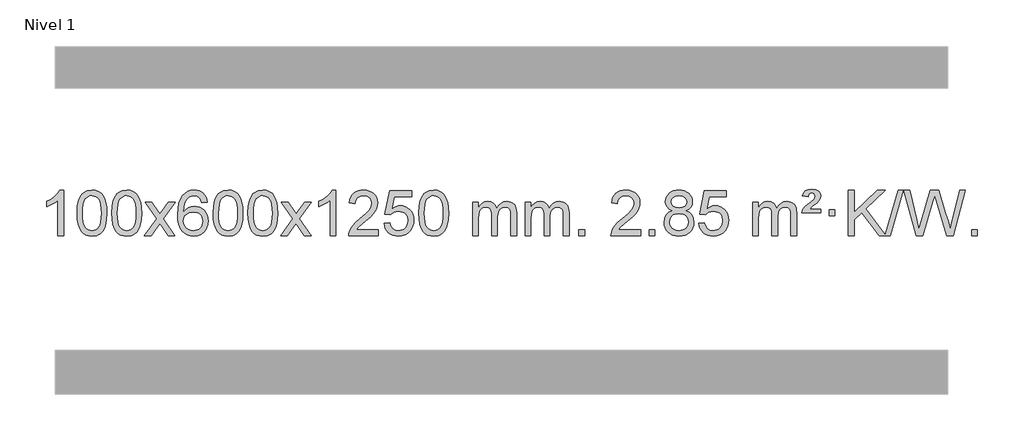
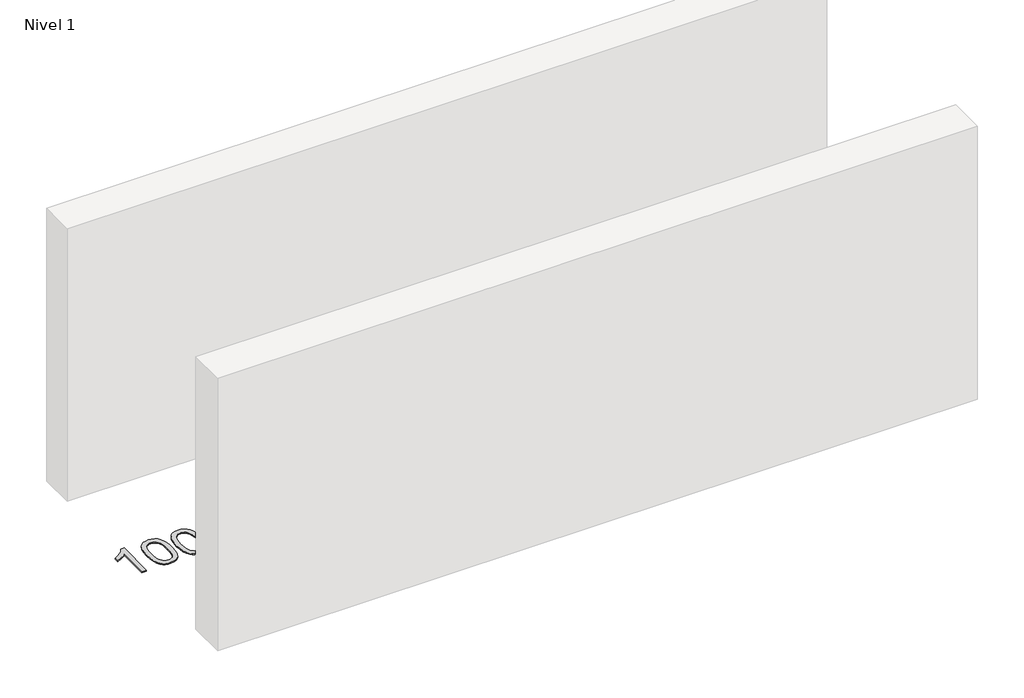
# One storey, part 3 of 6: 1 proxy.
"""IFC4 building model written with IfcOpenShell, lengths in millimetres."""

from ifc_helpers import new_model, si_unit, origin, origin_with_axes, place, context, project, spatial, polyline, outline, extrude, element, save

model = new_model("IFC4")

# Units and contexts
model_context = context("Model", 3, world=origin())
ifc_project = project(units=[si_unit("LENGTHUNIT", "METRE", prefix="MILLI")], contexts=[model_context])

# Site, building, storey
site = spatial("IfcSite", under=ifc_project)
building = spatial("IfcBuilding", under=site)
storey = spatial("IfcBuildingStorey", under=building, Name="Nivel 1", Elevation=0.0)

# Proxy
placement = place(None, origin())
element("IfcBuildingElementProxy", 1, Name="Texto de modelo 1", ObjectType="Texto de modelo 1", at=placement, inside=storey, context=model_context, shape_type="SweptSolid", body=[
    extrude(outline(polyline([(-25945.4422492, -10099.6168569), (-25995.6704043, -10099.6168569), (-25995.6704043, -9786.4757026), (-26016.639678, -9803.4350626), (-26043.249809, -9820.3698971), (-26096.1267145, -9845.7292293), (-26096.1267145, -9798.2479264), (-26056.6775018, -9776.7881434), (-26022.5012645, -9751.2571329), (-25995.5600397, -9724.1074417), (-25977.8158648, -9697.7916163), (-25945.4422492, -9697.7916163), (-25945.4422492, -10099.6168569)])), origin_with_axes(), (0.0, 0.0, 1.0), 10.0),
    extrude(outline(polyline([(-25826.1503809, -9901.9415981), (-25822.4592982, -9837.6235626), (-25811.3860502, -9786.3285498), (-25793.0410014, -9747.2717446), (-25781.1829384, -9732.0383643), (-25767.5345164, -9719.6683323), (-25752.0497501, -9710.097269), (-25734.6826542, -9703.2607953), (-25694.3014739, -9697.7916163), (-25663.3503353, -9701.0289778), (-25635.6365584, -9710.7410625), (-25612.4599927, -9726.5477256), (-25595.120488, -9748.0688223), (-25582.0238889, -9775.1204117), (-25571.5760403, -9807.5185527), (-25564.7334352, -9848.6600225), (-25562.4525668, -9901.9415981), (-25566.1068613, -9965.8917516), (-25577.0697447, -10017.0641372), (-25595.304429, -10056.1577305), (-25607.1349008, -10071.437096), (-25620.7741258, -10083.8715075), (-25636.2772862, -10093.5069501), (-25653.6995643, -10100.3894091), (-25694.3014739, -10105.8953763), (-25721.9661999, -10103.5041433), (-25746.4916662, -10096.3304444), (-25767.8778729, -10084.3742795), (-25786.1248199, -10067.6356488), (-25803.6360028, -10037.3773547), (-25816.1439907, -9999.6755815), (-25823.6487834, -9954.5303293), (-25826.1503809, -9901.9415981)]), holes=[polyline([(-25775.9222259, -9901.8434963), (-25774.4506979, -9945.5080234), (-25770.0361139, -9980.8522861), (-25762.678474, -10007.8762843), (-25752.3777782, -10026.5800181), (-25739.9188413, -10039.3056694), (-25726.0864782, -10048.3954204), (-25710.8806891, -10053.849271), (-25694.3014739, -10055.6672212), (-25677.7222586, -10053.8431396), (-25662.5164695, -10048.3708949), (-25648.6841065, -10039.2504871), (-25636.2251696, -10026.4819162), (-25625.9244737, -10007.7475256), (-25618.5668338, -9980.7296588), (-25614.1522498, -9945.4283156), (-25612.6807219, -9901.8434963), (-25614.1031989, -9859.3347317), (-25618.3706301, -9824.6128027), (-25625.4830153, -9797.6777093), (-25635.4403546, -9778.5294515), (-25647.6908251, -9765.1814664), (-25661.6826036, -9755.6471914), (-25677.4156903, -9749.9266264), (-25694.8900851, -9748.0197713), (-25711.3834612, -9749.6997658), (-25726.3317329, -9754.7397491), (-25739.7349003, -9763.1397213), (-25751.5929632, -9774.8996825), (-25762.2370156, -9795.7463289), (-25769.8399102, -9823.8525133), (-25774.4016469, -9859.2182358), (-25775.9222259, -9901.8434963)])]), origin_with_axes(), (0.0, 0.0, 1.0), 10.0),
    extrude(outline(polyline([(-25518.5029311, -9901.9415981), (-25514.8118484, -9837.6235626), (-25503.7386004, -9786.3285498), (-25485.3935515, -9747.2717446), (-25473.5354886, -9732.0383643), (-25459.8870665, -9719.6683323), (-25444.4023002, -9710.097269), (-25427.0352044, -9703.2607953), (-25386.654024, -9697.7916163), (-25355.7028855, -9701.0289778), (-25327.9891085, -9710.7410625), (-25304.8125428, -9726.5477256), (-25287.4730381, -9748.0688223), (-25274.3764391, -9775.1204117), (-25263.9285904, -9807.5185527), (-25257.0859853, -9848.6600225), (-25254.805117, -9901.9415981), (-25258.4594114, -9965.8917516), (-25269.4222949, -10017.0641372), (-25287.6569791, -10056.1577305), (-25299.487451, -10071.437096), (-25313.1266759, -10083.8715075), (-25328.6298363, -10093.5069501), (-25346.0521145, -10100.3894091), (-25386.654024, -10105.8953763), (-25414.3187501, -10103.5041433), (-25438.8442164, -10096.3304444), (-25460.2304231, -10084.3742795), (-25478.47737, -10067.6356488), (-25495.988553, -10037.3773547), (-25508.4965408, -9999.6755815), (-25516.0013335, -9954.5303293), (-25518.5029311, -9901.9415981)]), holes=[polyline([(-25468.274776, -9901.8434963), (-25466.803248, -9945.5080234), (-25462.3886641, -9980.8522861), (-25455.0310242, -10007.8762843), (-25444.7303283, -10026.5800181), (-25432.2713914, -10039.3056694), (-25418.4390284, -10048.3954204), (-25403.2332393, -10053.849271), (-25386.654024, -10055.6672212), (-25370.0748088, -10053.8431396), (-25354.8690196, -10048.3708949), (-25341.0366566, -10039.2504871), (-25328.5777197, -10026.4819162), (-25318.2770239, -10007.7475256), (-25310.919384, -9980.7296588), (-25306.5048, -9945.4283156), (-25305.033272, -9901.8434963), (-25306.4557491, -9859.3347317), (-25310.7231802, -9824.6128027), (-25317.8355655, -9797.6777093), (-25327.7929048, -9778.5294515), (-25340.0433752, -9765.1814664), (-25354.0351538, -9755.6471914), (-25369.7682404, -9749.9266264), (-25387.2426352, -9748.0197713), (-25403.7360113, -9749.6997658), (-25418.6842831, -9754.7397491), (-25432.0874504, -9763.1397213), (-25443.9455134, -9774.8996825), (-25454.5895658, -9795.7463289), (-25462.1924604, -9823.8525133), (-25466.7541971, -9859.2182358), (-25468.274776, -9901.8434963)])]), origin_with_axes(), (0.0, 0.0, 1.0), 10.0),
    extrude(outline(polyline([(-25229.6910394, -10099.6168569), (-25122.3675987, -9951.2868364), (-25223.41252, -9804.5264458), (-25162.981771, -9804.5264458), (-25114.2251439, -9875.1597889), (-25091.4655111, -9908.5144231), (-25071.7470362, -9881.2421045), (-25016.2213804, -9804.5264458), (-24955.7906313, -9804.5264458), (-25061.9368496, -9951.2868364), (-24959.7147059, -10099.6168569), (-25020.145455, -10099.6168569), (-25081.6553246, -10010.4422612), (-25092.9370391, -9994.1573516), (-25169.2602903, -10099.6168569), (-25229.6910394, -10099.6168569)])), origin_with_axes(), (0.0, 0.0, 1.0), 10.0),
    extrude(outline(polyline([(-24670.9028142, -9804.5264458), (-24721.1309693, -9810.8049652), (-24729.2243732, -9785.9116168), (-24740.1627312, -9768.9154687), (-24762.9468894, -9753.2436957), (-24790.4889881, -9748.0197713), (-24813.8372321, -9751.0609292), (-24835.8120499, -9760.1844027), (-24854.6843963, -9779.4001055), (-24870.0986519, -9805.850821), (-24880.5097123, -9843.2644199), (-24884.3724733, -9895.3687731), (-24864.2248027, -9871.8611137), (-24840.0794811, -9855.2941611), (-24813.2854091, -9845.4717119), (-24785.1914874, -9842.1975621), (-24761.0584285, -9844.4355109), (-24738.7893051, -9851.1493573), (-24718.3841171, -9862.3391013), (-24699.8428645, -9878.004743), (-24684.4347403, -9897.2143145), (-24673.4289372, -9919.0358482), (-24666.8254554, -9943.469344), (-24664.6242948, -9970.514802), (-24668.7690986, -10006.4813984), (-24681.2035101, -10039.8237699), (-24700.8974596, -10068.1016326), (-24726.8208775, -10088.8747026), (-24757.7965415, -10101.6402078), (-24792.6472291, -10105.8953763), (-24822.5897579, -10103.0749476), (-24849.6321502, -10094.6136617), (-24873.7744061, -10080.5115186), (-24895.0165257, -10060.7685182), (-24912.3345706, -10034.5507947), (-24924.7046027, -10001.0244822), (-24932.1266219, -9960.1895807), (-24934.6006284, -9912.0460903), (-24931.8537761, -9858.0716702), (-24923.6132194, -9812.006713), (-24909.8789583, -9773.8512188), (-24890.6509927, -9743.6051874), (-24869.8104776, -9723.56175), (-24845.6467619, -9709.2450091), (-24818.1598455, -9700.6549645), (-24787.3497284, -9697.7916163), (-24764.2160823, -9699.5635812), (-24743.2774654, -9704.879476), (-24724.5338777, -9713.7393008), (-24707.9853193, -9726.1430554), (-24694.0793799, -9741.6738069), (-24683.2636492, -9759.9146225), (-24675.5381274, -9780.8655021), (-24670.9028142, -9804.5264458)]), holes=[polyline([(-24884.3724733, -9969.7299871), (-24881.4662055, -9991.9868478), (-24872.7474022, -10013.2381644), (-24859.2093448, -10031.5096368), (-24841.8453146, -10044.8269651), (-24820.8883036, -10052.9571571), (-24796.5713038, -10055.6672212), (-24763.425136, -10050.0508894), (-24749.5099995, -10043.0304746), (-24737.366828, -10033.201894), (-24727.5167876, -10020.9636863), (-24720.4810444, -10006.7143904), (-24714.8524499, -9972.1825337), (-24720.407468, -9939.036366), (-24727.3512407, -9925.4155351), (-24737.0725224, -9913.7628729), (-24749.2524821, -9904.4278673), (-24763.5722888, -9897.7600061), (-24798.6314429, -9892.4257172), (-24831.7285598, -9897.7600061), (-24859.4055485, -9913.7628729), (-24870.3285781, -9925.2622509), (-24878.1307421, -9938.4232293), (-24882.8120405, -9953.245808), (-24884.3724733, -9969.7299871)])]), origin_with_axes(), (0.0, 0.0, 1.0), 10.0),
    extrude(outline(polyline([(-24620.6746591, -9901.9415981), (-24616.9835765, -9837.6235626), (-24605.9103284, -9786.3285498), (-24587.5652796, -9747.2717446), (-24575.7072166, -9732.0383643), (-24562.0587946, -9719.6683323), (-24546.5740283, -9710.097269), (-24529.2069324, -9703.2607953), (-24488.8257521, -9697.7916163), (-24457.8746135, -9701.0289778), (-24430.1608366, -9710.7410625), (-24406.9842709, -9726.5477256), (-24389.6447662, -9748.0688223), (-24376.5481671, -9775.1204117), (-24366.1003185, -9807.5185527), (-24359.2577134, -9848.6600225), (-24356.976845, -9901.9415981), (-24360.6311395, -9965.8917516), (-24371.5940229, -10017.0641372), (-24389.8287072, -10056.1577305), (-24401.659179, -10071.437096), (-24415.298404, -10083.8715075), (-24430.8015644, -10093.5069501), (-24448.2238425, -10100.3894091), (-24488.8257521, -10105.8953763), (-24516.4904781, -10103.5041433), (-24541.0159444, -10096.3304444), (-24562.4021511, -10084.3742795), (-24580.6490981, -10067.6356488), (-24598.160281, -10037.3773547), (-24610.6682689, -9999.6755815), (-24618.1730616, -9954.5303293), (-24620.6746591, -9901.9415981)]), holes=[polyline([(-24570.4465041, -9901.8434963), (-24568.9749761, -9945.5080234), (-24564.5603921, -9980.8522861), (-24557.2027522, -10007.8762843), (-24546.9020564, -10026.5800181), (-24534.4431195, -10039.3056694), (-24520.6107564, -10048.3954204), (-24505.4049673, -10053.849271), (-24488.8257521, -10055.6672212), (-24472.2465368, -10053.8431396), (-24457.0407477, -10048.3708949), (-24443.2083847, -10039.2504871), (-24430.7494478, -10026.4819162), (-24420.4487519, -10007.7475256), (-24413.091112, -9980.7296588), (-24408.676528, -9945.4283156), (-24407.2050001, -9901.8434963), (-24408.6274771, -9859.3347317), (-24412.8949083, -9824.6128027), (-24420.0072935, -9797.6777093), (-24429.9646328, -9778.5294515), (-24442.2151033, -9765.1814664), (-24456.2068818, -9755.6471914), (-24471.9399685, -9749.9266264), (-24489.4143633, -9748.0197713), (-24505.9077394, -9749.6997658), (-24520.8560111, -9754.7397491), (-24534.2591785, -9763.1397213), (-24546.1172414, -9774.8996825), (-24556.7612938, -9795.7463289), (-24564.3641884, -9823.8525133), (-24568.9259251, -9859.2182358), (-24570.4465041, -9901.8434963)])]), origin_with_axes(), (0.0, 0.0, 1.0), 10.0),
    extrude(outline(polyline([(-24313.0272093, -9901.9415981), (-24309.3361266, -9837.6235626), (-24298.2628786, -9786.3285498), (-24279.9178297, -9747.2717446), (-24268.0597668, -9732.0383643), (-24254.4113447, -9719.6683323), (-24238.9265784, -9710.097269), (-24221.5594826, -9703.2607953), (-24181.1783022, -9697.7916163), (-24150.2271637, -9701.0289778), (-24122.5133867, -9710.7410625), (-24099.336821, -9726.5477256), (-24081.9973163, -9748.0688223), (-24068.9007173, -9775.1204117), (-24058.4528686, -9807.5185527), (-24051.6102635, -9848.6600225), (-24049.3293952, -9901.9415981), (-24052.9836896, -9965.8917516), (-24063.9465731, -10017.0641372), (-24082.1812573, -10056.1577305), (-24094.0117292, -10071.437096), (-24107.6509541, -10083.8715075), (-24123.1541145, -10093.5069501), (-24140.5763927, -10100.3894091), (-24181.1783022, -10105.8953763), (-24208.8430283, -10103.5041433), (-24233.3684946, -10096.3304444), (-24254.7547013, -10084.3742795), (-24273.0016482, -10067.6356488), (-24290.5128312, -10037.3773547), (-24303.020819, -9999.6755815), (-24310.5256117, -9954.5303293), (-24313.0272093, -9901.9415981)]), holes=[polyline([(-24262.7990542, -9901.8434963), (-24261.3275262, -9945.5080234), (-24256.9129423, -9980.8522861), (-24249.5553024, -10007.8762843), (-24239.2546065, -10026.5800181), (-24226.7956696, -10039.3056694), (-24212.9633066, -10048.3954204), (-24197.7575175, -10053.849271), (-24181.1783022, -10055.6672212), (-24164.599087, -10053.8431396), (-24149.3932978, -10048.3708949), (-24135.5609348, -10039.2504871), (-24123.1019979, -10026.4819162), (-24112.8013021, -10007.7475256), (-24105.4436622, -9980.7296588), (-24101.0290782, -9945.4283156), (-24099.5575502, -9901.8434963), (-24100.9800273, -9859.3347317), (-24105.2474584, -9824.6128027), (-24112.3598437, -9797.6777093), (-24122.317183, -9778.5294515), (-24134.5676534, -9765.1814664), (-24148.559432, -9755.6471914), (-24164.2925187, -9749.9266264), (-24181.7669134, -9748.0197713), (-24198.2602895, -9749.6997658), (-24213.2085613, -9754.7397491), (-24226.6117286, -9763.1397213), (-24238.4697916, -9774.8996825), (-24249.113844, -9795.7463289), (-24256.7167386, -9823.8525133), (-24261.2784753, -9859.2182358), (-24262.7990542, -9901.8434963)])]), origin_with_axes(), (0.0, 0.0, 1.0), 10.0),
    extrude(outline(polyline([(-24024.2153176, -10099.6168569), (-23916.8918769, -9951.2868364), (-24017.9367982, -9804.5264458), (-23957.5060492, -9804.5264458), (-23908.7494221, -9875.1597889), (-23885.9897893, -9908.5144231), (-23866.2713144, -9881.2421045), (-23810.7456586, -9804.5264458), (-23750.3149095, -9804.5264458), (-23856.4611278, -9951.2868364), (-23754.2389841, -10099.6168569), (-23814.6697332, -10099.6168569), (-23876.1796028, -10010.4422612), (-23887.4613173, -9994.1573516), (-23963.7845685, -10099.6168569), (-24024.2153176, -10099.6168569)])), origin_with_axes(), (0.0, 0.0, 1.0), 10.0),
    extrude(outline(polyline([(-23534.4908056, -10099.6168569), (-23584.7189607, -10099.6168569), (-23584.7189607, -9786.4757026), (-23605.6882344, -9803.4350626), (-23632.2983654, -9820.3698971), (-23685.1752709, -9845.7292293), (-23685.1752709, -9798.2479264), (-23645.7260583, -9776.7881434), (-23611.5498209, -9751.2571329), (-23584.6085961, -9724.1074417), (-23566.8644212, -9697.7916163), (-23534.4908056, -9697.7916163), (-23534.4908056, -10099.6168569)])), origin_with_axes(), (0.0, 0.0, 1.0), 10.0),
    extrude(outline(polyline([(-23157.7796426, -10049.3887018), (-23157.7796426, -10099.6168569), (-23421.4774567, -10099.6168569), (-23420.3738107, -10081.9339956), (-23416.0818541, -10064.9868984), (-23403.6964936, -10037.9230463), (-23385.572174, -10011.6685346), (-23359.3544505, -9984.1877495), (-23322.6888783, -9953.4450775), (-23268.4875977, -9905.301587), (-23235.9668293, -9869.7641863), (-23219.7064451, -9840.9222379), (-23214.286317, -9812.8651044), (-23219.3998768, -9787.7142386), (-23234.740556, -9766.8062786), (-23258.3217919, -9752.7163982), (-23288.1570217, -9748.0197713), (-23319.4883049, -9752.6060336), (-23343.8298303, -9766.3648202), (-23359.5383915, -9788.2170107), (-23364.9707823, -9817.0834846), (-23415.1989373, -9810.8049652), (-23410.8793896, -9784.8754159), (-23403.0220433, -9762.2200164), (-23391.6268985, -9742.8387666), (-23376.6939552, -9726.7316666), (-23358.5665699, -9714.0703946), (-23337.5880991, -9705.0266288), (-23313.7585429, -9699.6003694), (-23287.0779012, -9697.7916163), (-23260.1581362, -9699.8027045), (-23236.1998212, -9705.8359692), (-23215.2029563, -9715.8914104), (-23197.1675415, -9729.9690281), (-23182.682188, -9747.02649), (-23172.3355069, -9766.0214636), (-23166.1274982, -9786.9539492), (-23164.058162, -9809.8239465), (-23166.2899794, -9833.8466408), (-23172.9854317, -9857.4524022), (-23184.8680202, -9881.4628337), (-23202.661246, -9906.6995386), (-23231.0249478, -9936.829074), (-23274.6189643, -9975.5179972), (-23332.400963, -10023.8331659), (-23355.0624939, -10049.3887018), (-23157.7796426, -10049.3887018)])), origin_with_axes(), (0.0, 0.0, 1.0), 10.0),
    extrude(outline(polyline([(-23107.5514875, -9992.8820273), (-23057.3233324, -9986.603508), (-23048.1017571, -10016.7575688), (-23032.0130512, -10038.3522419), (-23009.1307911, -10051.3384764), (-22979.5285532, -10055.6672212), (-22960.3986894, -10054.1619707), (-22943.5251686, -10049.6462192), (-22928.9079907, -10042.1199667), (-22916.5471556, -10031.5832132), (-22906.718575, -10018.5571249), (-22899.6981602, -10003.5628679), (-22894.0818284, -9967.6698479), (-22899.342541, -9933.8737553), (-22905.9184316, -9919.9555532), (-22915.1246786, -9908.0239138), (-22926.9919386, -9898.4528505), (-22941.5508686, -9891.6163768), (-22978.7437383, -9886.1471978), (-23003.1097891, -9888.3299643), (-23022.8405268, -9894.8782638), (-23038.5981389, -9904.9091796), (-23051.044813, -9917.5397947), (-23101.2729681, -9911.2612753), (-23057.3233324, -9704.0701357), (-22862.6892315, -9704.0701357), (-22862.6892315, -9754.2982907), (-23016.7091602, -9754.2982907), (-23038.1934687, -9864.9571949), (-23020.4676879, -9852.2530033), (-23002.3127114, -9843.1785808), (-22983.7285393, -9837.7339272), (-22964.7151715, -9835.9190427), (-22940.2540845, -9838.1692543), (-22917.7856917, -9844.9198889), (-22897.3099929, -9856.1709466), (-22878.8269884, -9871.9224273), (-22863.5261631, -9891.2117066), (-22852.5970021, -9913.0761598), (-22846.0395056, -9937.5157871), (-22843.8536734, -9964.5305882), (-22845.821842, -9990.552108), (-22851.7263481, -10014.7587433), (-22861.5671914, -10037.1504941), (-22875.3443722, -10057.7273604), (-22896.215544, -10078.8008673), (-22920.5693321, -10093.8533723), (-22948.4057364, -10102.8848753), (-22979.7247569, -10105.8953763), (-23005.6451092, -10103.9609301), (-23029.0577325, -10098.1575916), (-23049.9626268, -10088.4853608), (-23068.3597923, -10074.9442377), (-23083.666749, -10058.2086726), (-23095.3010171, -10038.9531159), (-23103.2625966, -10017.1775674), (-23107.5514875, -9992.8820273)])), origin_with_axes(), (0.0, 0.0, 1.0), 10.0),
    extrude(outline(polyline([(-22799.9040377, -9901.9415981), (-22796.212955, -9837.6235626), (-22785.1397069, -9786.3285498), (-22766.7946581, -9747.2717446), (-22754.9365951, -9732.0383643), (-22741.2881731, -9719.6683323), (-22725.8034068, -9710.097269), (-22708.4363109, -9703.2607953), (-22668.0551306, -9697.7916163), (-22637.1039921, -9701.0289778), (-22609.3902151, -9710.7410625), (-22586.2136494, -9726.5477256), (-22568.8741447, -9748.0688223), (-22555.7775457, -9775.1204117), (-22545.329697, -9807.5185527), (-22538.4870919, -9848.6600225), (-22536.2062235, -9901.9415981), (-22539.860518, -9965.8917516), (-22550.8234015, -10017.0641372), (-22569.0580857, -10056.1577305), (-22580.8885575, -10071.437096), (-22594.5277825, -10083.8715075), (-22610.0309429, -10093.5069501), (-22627.4532211, -10100.3894091), (-22668.0551306, -10105.8953763), (-22695.7198566, -10103.5041433), (-22720.245323, -10096.3304444), (-22741.6315296, -10084.3742795), (-22759.8784766, -10067.6356488), (-22777.3896596, -10037.3773547), (-22789.8976474, -9999.6755815), (-22797.4024401, -9954.5303293), (-22799.9040377, -9901.9415981)]), holes=[polyline([(-22749.6758826, -9901.8434963), (-22748.2043546, -9945.5080234), (-22743.7897707, -9980.8522861), (-22736.4321308, -10007.8762843), (-22726.1314349, -10026.5800181), (-22713.672498, -10039.3056694), (-22699.840135, -10048.3954204), (-22684.6343459, -10053.849271), (-22668.0551306, -10055.6672212), (-22651.4759154, -10053.8431396), (-22636.2701262, -10048.3708949), (-22622.4377632, -10039.2504871), (-22609.9788263, -10026.4819162), (-22599.6781304, -10007.7475256), (-22592.3204905, -9980.7296588), (-22587.9059066, -9945.4283156), (-22586.4343786, -9901.8434963), (-22587.8568557, -9859.3347317), (-22592.1242868, -9824.6128027), (-22599.236672, -9797.6777093), (-22609.1940114, -9778.5294515), (-22621.4444818, -9765.1814664), (-22635.4362604, -9755.6471914), (-22651.169347, -9749.9266264), (-22668.6437418, -9748.0197713), (-22685.1371179, -9749.6997658), (-22700.0853897, -9754.7397491), (-22713.488557, -9763.1397213), (-22725.34662, -9774.8996825), (-22735.9906724, -9795.7463289), (-22743.5935669, -9823.8525133), (-22748.1553037, -9859.2182358), (-22749.6758826, -9901.8434963)])]), origin_with_axes(), (0.0, 0.0, 1.0), 10.0),
    extrude(outline(polyline([(-22322.7365645, -10099.6168569), (-22322.7365645, -9804.5264458), (-22272.5084094, -9804.5264458), (-22272.5084094, -9853.0868692), (-22257.4007221, -9830.7809575), (-22237.9765528, -9813.3065628), (-22214.8980889, -9802.0125855), (-22188.8275182, -9798.2479264), (-22160.8930121, -9802.0861619), (-22138.5012613, -9813.6008684), (-22121.7748932, -9832.0317563), (-22110.8365352, -9856.6185363), (-22092.5282746, -9831.0813945), (-22071.64484, -9812.8405789), (-22048.1862315, -9801.8960895), (-22022.1524489, -9798.2479264), (-22002.0446322, -9799.7654397), (-21984.3954935, -9804.3179793), (-21969.2050328, -9811.9055455), (-21956.4732501, -9822.5281381), (-21946.4086118, -9836.3083845), (-21939.2195845, -9853.368912), (-21934.9061681, -9873.7097207), (-21933.4683626, -9897.3308105), (-21933.4683626, -10099.6168569), (-21983.6965177, -10099.6168569), (-21983.6965177, -9918.9132208), (-21984.8614774, -9893.860457), (-21988.3563563, -9876.9746734), (-21994.9046558, -9865.410916), (-22005.2298772, -9856.3242307), (-22018.5104172, -9850.4381188), (-22033.9246728, -9848.4760815), (-22061.1356777, -9853.5038021), (-22083.318962, -9868.5869639), (-22091.924335, -9880.1568526), (-22098.07103, -9894.7556365), (-22102.988386, -9933.0398895), (-22102.988386, -10099.6168569), (-22153.2165411, -10099.6168569), (-22153.2165411, -9913.3214145), (-22156.1228088, -9884.9209245), (-22164.8416121, -9864.6628893), (-22180.1822913, -9852.5227834), (-22202.9541868, -9848.4760815), (-22222.3047798, -9851.1738828), (-22240.1347938, -9859.2672867), (-22254.8500736, -9872.5600894), (-22264.8564639, -9890.8560873), (-22270.595423, -9916.239945), (-22272.5084094, -9950.7963271), (-22272.5084094, -10099.6168569), (-22322.7365645, -10099.6168569)])), origin_with_axes(), (0.0, 0.0, 1.0), 10.0),
    extrude(outline(polyline([(-21858.12613, -10099.6168569), (-21858.12613, -9804.5264458), (-21807.8979749, -9804.5264458), (-21807.8979749, -9853.0868692), (-21792.7902877, -9830.7809575), (-21773.3661183, -9813.3065628), (-21750.2876545, -9802.0125855), (-21724.2170838, -9798.2479264), (-21696.2825776, -9802.0861619), (-21673.8908268, -9813.6008684), (-21657.1644588, -9832.0317563), (-21646.2261008, -9856.6185363), (-21627.9178402, -9831.0813945), (-21607.0344056, -9812.8405789), (-21583.575797, -9801.8960895), (-21557.5420145, -9798.2479264), (-21537.4341978, -9799.7654397), (-21519.7850591, -9804.3179793), (-21504.5945983, -9811.9055455), (-21491.8628156, -9822.5281381), (-21481.7981774, -9836.3083845), (-21474.6091501, -9853.368912), (-21470.2957337, -9873.7097207), (-21468.8579282, -9897.3308105), (-21468.8579282, -10099.6168569), (-21519.0860833, -10099.6168569), (-21519.0860833, -9918.9132208), (-21520.2510429, -9893.860457), (-21523.7459219, -9876.9746734), (-21530.2942214, -9865.410916), (-21540.6194427, -9856.3242307), (-21553.8999827, -9850.4381188), (-21569.3142383, -9848.4760815), (-21596.5252433, -9853.5038021), (-21618.7085276, -9868.5869639), (-21627.3139006, -9880.1568526), (-21633.4605956, -9894.7556365), (-21638.3779516, -9933.0398895), (-21638.3779516, -10099.6168569), (-21688.6061066, -10099.6168569), (-21688.6061066, -9913.3214145), (-21691.5123744, -9884.9209245), (-21700.2311777, -9864.6628893), (-21715.5718569, -9852.5227834), (-21738.3437524, -9848.4760815), (-21757.6943453, -9851.1738828), (-21775.5243594, -9859.2672867), (-21790.2396392, -9872.5600894), (-21800.2460294, -9890.8560873), (-21805.9849886, -9916.239945), (-21807.8979749, -9950.7963271), (-21807.8979749, -10099.6168569), (-21858.12613, -10099.6168569)])), origin_with_axes(), (0.0, 0.0, 1.0), 10.0),
    extrude(outline(polyline([(-21380.9586568, -10099.6168569), (-21380.9586568, -10049.3887018), (-21330.7305017, -10049.3887018), (-21330.7305017, -10099.6168569), (-21380.9586568, -10099.6168569)])), origin_with_axes(), (0.0, 0.0, 1.0), 10.0),
    extrude(outline(polyline([(-20834.7274704, -10049.3887018), (-20834.7274704, -10099.6168569), (-21098.4252845, -10099.6168569), (-21097.3216385, -10081.9339956), (-21093.0296819, -10064.9868984), (-21080.6443214, -10037.9230463), (-21062.5200018, -10011.6685346), (-21036.3022783, -9984.1877495), (-20999.6367061, -9953.4450775), (-20945.4354255, -9905.301587), (-20912.9146571, -9869.7641863), (-20896.6542729, -9840.9222379), (-20891.2341448, -9812.8651044), (-20896.3477046, -9787.7142386), (-20911.6883838, -9766.8062786), (-20935.2696197, -9752.7163982), (-20965.1048495, -9748.0197713), (-20996.4361327, -9752.6060336), (-21020.7776581, -9766.3648202), (-21036.4862193, -9788.2170107), (-21041.9186101, -9817.0834846), (-21092.1467651, -9810.8049652), (-21087.8272174, -9784.8754159), (-21079.9698711, -9762.2200164), (-21068.5747263, -9742.8387666), (-21053.641783, -9726.7316666), (-21035.5143977, -9714.0703946), (-21014.5359269, -9705.0266288), (-20990.7063706, -9699.6003694), (-20964.0257289, -9697.7916163), (-20937.1059639, -9699.8027045), (-20913.147649, -9705.8359692), (-20892.1507841, -9715.8914104), (-20874.1153693, -9729.9690281), (-20859.6300158, -9747.02649), (-20849.2833346, -9766.0214636), (-20843.075326, -9786.9539492), (-20841.0059898, -9809.8239465), (-20843.2378072, -9833.8466408), (-20849.9332595, -9857.4524022), (-20861.815848, -9881.4628337), (-20879.6090738, -9906.6995386), (-20907.9727756, -9936.829074), (-20951.566792, -9975.5179972), (-21009.3487908, -10023.8331659), (-21032.0103217, -10049.3887018), (-20834.7274704, -10049.3887018)])), origin_with_axes(), (0.0, 0.0, 1.0), 10.0),
    extrude(outline(polyline([(-20759.3852378, -10099.6168569), (-20759.3852378, -10049.3887018), (-20709.1570827, -10049.3887018), (-20709.1570827, -10099.6168569), (-20759.3852378, -10099.6168569)])), origin_with_axes(), (0.0, 0.0, 1.0), 10.0),
    extrude(outline(polyline([(-20554.3523391, -9878.2990486), (-20581.244513, -9865.0552967), (-20600.1168593, -9847.1026554), (-20611.2636838, -9824.8090065), (-20614.9792919, -9798.542232), (-20612.9559409, -9778.0573363), (-20606.885888, -9759.2769604), (-20596.7691332, -9742.2011045), (-20582.6056763, -9726.8297684), (-20565.0760993, -9714.1255769), (-20544.8609836, -9705.0511543), (-20521.9603294, -9699.6065008), (-20496.3741367, -9697.7916163), (-20470.6653166, -9699.6494203), (-20447.5929841, -9705.2228326), (-20427.1571393, -9714.511853), (-20409.3577821, -9727.5164815), (-20394.9368079, -9743.1882545), (-20384.636112, -9760.4787082), (-20378.4556945, -9779.3878428), (-20376.3955553, -9799.9156581), (-20380.0621125, -9825.336304), (-20391.0617842, -9847.2498082), (-20409.5171976, -9865.0920849), (-20435.5509801, -9878.2990486), (-20404.6366298, -9894.228339), (-20382.1345144, -9917.6869475), (-20368.412516, -9947.5467028), (-20363.8385165, -9982.6794333), (-20366.1071222, -10007.7321972), (-20372.9129391, -10030.7002964), (-20384.2559673, -10051.583731), (-20400.1362067, -10070.382501), (-20419.7197916, -10085.9193839), (-20442.1728561, -10097.0171574), (-20467.4954001, -10103.6758215), (-20495.6874236, -10105.8953763), (-20523.8794472, -10103.6666245), (-20549.2019912, -10096.9803692), (-20571.6550556, -10085.8366105), (-20591.2386405, -10070.2353482), (-20607.11888, -10051.3047539), (-20618.4619081, -10030.1729989), (-20625.2677251, -10006.8400834), (-20627.5363307, -9981.3060072), (-20622.7783902, -9944.8121133), (-20608.5045688, -9914.7929425), (-20585.4506304, -9892.2785644), (-20554.3523391, -9878.2990486)]), holes=[polyline([(-20564.7511368, -9800.01376), (-20560.2997647, -9821.9395269), (-20546.9456483, -9839.4507099), (-20525.081195, -9850.9286281), (-20495.0988124, -9854.7546009), (-20465.8154056, -9850.9531536), (-20444.2820462, -9839.5488117), (-20431.0382943, -9822.62624), (-20426.6237104, -9802.2701029), (-20431.1854471, -9781.1414136), (-20444.8706574, -9763.6670189), (-20466.6983224, -9751.9315832), (-20495.6874236, -9748.0197713), (-20524.8604658, -9751.8457441), (-20546.6513427, -9763.3236623), (-20560.2261883, -9780.1481323), (-20564.7511368, -9800.01376)]), polyline([(-20577.3081756, -9979.5401736), (-20575.2112482, -9998.7558765), (-20568.9204661, -10017.3584427), (-20557.3076578, -10033.5820387), (-20539.2446518, -10045.6608309), (-20517.6131905, -10053.1656236), (-20495.2950162, -10055.6672212), (-20461.1065161, -10050.4065086), (-20447.2128394, -10043.830618), (-20435.4528783, -10034.6243711), (-20419.4132233, -10010.7243041), (-20414.0666716, -9981.1098035), (-20419.5849015, -9950.9925308), (-20436.1395913, -9926.5651663), (-20448.2183835, -9917.1228618), (-20462.3818403, -9910.3783586), (-20496.9627479, -9904.982756), (-20530.6730014, -9910.3047822), (-20544.4103282, -9916.9573149), (-20556.0691218, -9926.2708607), (-20571.9984122, -9950.2322414), (-20577.3081756, -9979.5401736)])]), origin_with_axes(), (0.0, 0.0, 1.0), 10.0),
    extrude(outline(polyline([(-20319.8888809, -9992.8820273), (-20269.6607258, -9986.603508), (-20260.4391504, -10016.7575688), (-20244.3504445, -10038.3522419), (-20221.4681844, -10051.3384764), (-20191.8659465, -10055.6672212), (-20172.7360828, -10054.1619707), (-20155.8625619, -10049.6462192), (-20141.245384, -10042.1199667), (-20128.884549, -10031.5832132), (-20119.0559683, -10018.5571249), (-20112.0355536, -10003.5628679), (-20106.4192218, -9967.6698479), (-20111.6799343, -9933.8737553), (-20118.255825, -9919.9555532), (-20127.4620719, -9908.0239138), (-20139.3293319, -9898.4528505), (-20153.8882619, -9891.6163768), (-20191.0811316, -9886.1471978), (-20215.4471824, -9888.3299643), (-20235.1779201, -9894.8782638), (-20250.9355322, -9904.9091796), (-20263.3822064, -9917.5397947), (-20313.6103615, -9911.2612753), (-20269.6607258, -9704.0701357), (-20075.0266249, -9704.0701357), (-20075.0266249, -9754.2982907), (-20229.0465535, -9754.2982907), (-20250.530862, -9864.9571949), (-20232.8050812, -9852.2530033), (-20214.6501048, -9843.1785808), (-20196.0659326, -9837.7339272), (-20177.0525649, -9835.9190427), (-20152.5914779, -9838.1692543), (-20130.123085, -9844.9198889), (-20109.6473863, -9856.1709466), (-20091.1643817, -9871.9224273), (-20075.8635564, -9891.2117066), (-20064.9343955, -9913.0761598), (-20058.3768989, -9937.5157871), (-20056.1910667, -9964.5305882), (-20058.1592354, -9990.552108), (-20064.0637414, -10014.7587433), (-20073.9045848, -10037.1504941), (-20087.6817655, -10057.7273604), (-20108.5529374, -10078.8008673), (-20132.9067254, -10093.8533723), (-20160.7431297, -10102.8848753), (-20192.0621503, -10105.8953763), (-20217.9825025, -10103.9609301), (-20241.3951258, -10098.1575916), (-20262.3000202, -10088.4853608), (-20280.6971856, -10074.9442377), (-20296.0041423, -10058.2086726), (-20307.6384104, -10038.9531159), (-20315.5999899, -10017.1775674), (-20319.8888809, -9992.8820273)])), origin_with_axes(), (0.0, 0.0, 1.0), 10.0),
    extrude(outline(polyline([(-19842.7214076, -10099.6168569), (-19842.7214076, -9804.5264458), (-19792.4932526, -9804.5264458), (-19792.4932526, -9853.0868692), (-19777.3855653, -9830.7809575), (-19757.961396, -9813.3065628), (-19734.8829321, -9802.0125855), (-19708.8123614, -9798.2479264), (-19680.8778552, -9802.0861619), (-19658.4861045, -9813.6008684), (-19641.7597364, -9832.0317563), (-19630.8213784, -9856.6185363), (-19612.5131178, -9831.0813945), (-19591.6296832, -9812.8405789), (-19568.1710746, -9801.8960895), (-19542.1372921, -9798.2479264), (-19522.0294754, -9799.7654397), (-19504.3803367, -9804.3179793), (-19489.189876, -9811.9055455), (-19476.4580932, -9822.5281381), (-19466.393455, -9836.3083845), (-19459.2044277, -9853.368912), (-19454.8910113, -9873.7097207), (-19453.4532058, -9897.3308105), (-19453.4532058, -10099.6168569), (-19503.6813609, -10099.6168569), (-19503.6813609, -9918.9132208), (-19504.8463205, -9893.860457), (-19508.3411995, -9876.9746734), (-19514.889499, -9865.410916), (-19525.2147203, -9856.3242307), (-19538.4952604, -9850.4381188), (-19553.909516, -9848.4760815), (-19581.1205209, -9853.5038021), (-19603.3038052, -9868.5869639), (-19611.9091782, -9880.1568526), (-19618.0558732, -9894.7556365), (-19622.9732292, -9933.0398895), (-19622.9732292, -10099.6168569), (-19673.2013843, -10099.6168569), (-19673.2013843, -9913.3214145), (-19676.107652, -9884.9209245), (-19684.8264553, -9864.6628893), (-19700.1671345, -9852.5227834), (-19722.93903, -9848.4760815), (-19742.289623, -9851.1738828), (-19760.119637, -9859.2672867), (-19774.8349168, -9872.5600894), (-19784.8413071, -9890.8560873), (-19790.5802662, -9916.239945), (-19792.4932526, -9950.7963271), (-19792.4932526, -10099.6168569), (-19842.7214076, -10099.6168569)])), origin_with_axes(), (0.0, 0.0, 1.0), 10.0),
    extrude(outline(polyline([(-19409.5035701, -9898.7042366), (-19405.6775974, -9882.8853108), (-19397.3389388, -9867.0173341), (-19375.8301048, -9841.878731), (-19343.8734222, -9814.1404286), (-19299.7275828, -9776.7636179), (-19292.5906721, -9765.2366487), (-19290.2117018, -9753.4153739), (-19292.1001627, -9741.324319), (-19297.7655455, -9731.538658), (-19307.1342736, -9725.0639348), (-19320.1327708, -9722.9056938), (-19332.5671822, -9724.5243746), (-19341.4208756, -9729.3804169), (-19347.8465477, -9738.8472469), (-19352.9968957, -9754.2982907), (-19403.2250507, -9748.0197713), (-19392.3847946, -9722.8075919), (-19375.7565284, -9705.247358), (-19351.9913515, -9694.9466622), (-19319.7403633, -9691.5130969), (-19283.9577079, -9695.645638), (-19259.2115124, -9708.0432612), (-19244.7905382, -9726.3760473), (-19239.9835467, -9748.3140769), (-19244.0792996, -9771.2208625), (-19256.3665583, -9792.8523238), (-19276.8943736, -9812.6689006), (-19313.3637421, -9840.7260341), (-19338.9683289, -9867.3116396), (-19239.9835467, -9867.3116396), (-19239.9835467, -9898.7042366), (-19409.5035701, -9898.7042366)])), origin_with_axes(), (0.0, 0.0, 1.0), 10.0),
    extrude(outline(polyline([(-19164.6413141, -9923.8183141), (-19164.6413141, -9873.590159), (-19114.4131591, -9873.590159), (-19114.4131591, -9923.8183141), (-19164.6413141, -9923.8183141)])), origin_with_axes(), (0.0, 0.0, 1.0), 10.0),
    extrude(outline(polyline([(-18723.7715311, -10099.6168569), (-18877.2028486, -9896.938403), (-18944.8931357, -9961.4894304), (-18944.8931357, -10099.6168569), (-18995.1212908, -10099.6168569), (-18995.1212908, -9697.7916163), (-18944.8931357, -9697.7916163), (-18944.8931357, -9894.4858564), (-18738.8792184, -9697.7916163), (-18668.6382828, -9697.7916163), (-18841.5918714, -9862.9951576), (-18666.9382616, -10093.5723371), (-18555.6249339, -9697.7916163), (-18510.301872, -9697.7916163), (-18623.315221, -10099.6168569), (-18662.3597634, -10099.6168569), (-18668.6382828, -10099.6168569), (-18723.7715311, -10099.6168569)])), origin_with_axes(), (0.0, 0.0, 1.0), 10.0),
    extrude(outline(polyline([(-18395.8169951, -10099.6168569), (-18505.3967788, -9697.7916163), (-18453.5989939, -9697.7916163), (-18390.0289851, -9961.8818379), (-18370.408612, -10043.404488), (-18349.4148128, -9971.299617), (-18269.7560981, -9697.7916163), (-18195.1005786, -9697.7916163), (-18137.220478, -9896.0554862), (-18112.4252315, -9969.6318852), (-18094.1537591, -10043.404488), (-18075.1219972, -9964.2362826), (-18010.9633773, -9697.7916163), (-17959.1655923, -9697.7916163), (-18068.8434778, -10099.6168569), (-18122.5051982, -10099.6168569), (-18218.84123, -9789.6149623), (-18232.2811856, -9746.3520396), (-18247.3888728, -9798.4441302), (-18335.1900423, -10099.6168569), (-18395.8169951, -10099.6168569)])), origin_with_axes(), (0.0, 0.0, 1.0), 10.0),
    extrude(outline(polyline([(-17902.6589179, -10099.6168569), (-17902.6589179, -10049.3887018), (-17852.4307628, -10049.3887018), (-17852.4307628, -10099.6168569), (-17902.6589179, -10099.6168569)])), origin_with_axes(), (0.0, 0.0, 1.0), 10.0),
])

save(model, "model.ifc")
